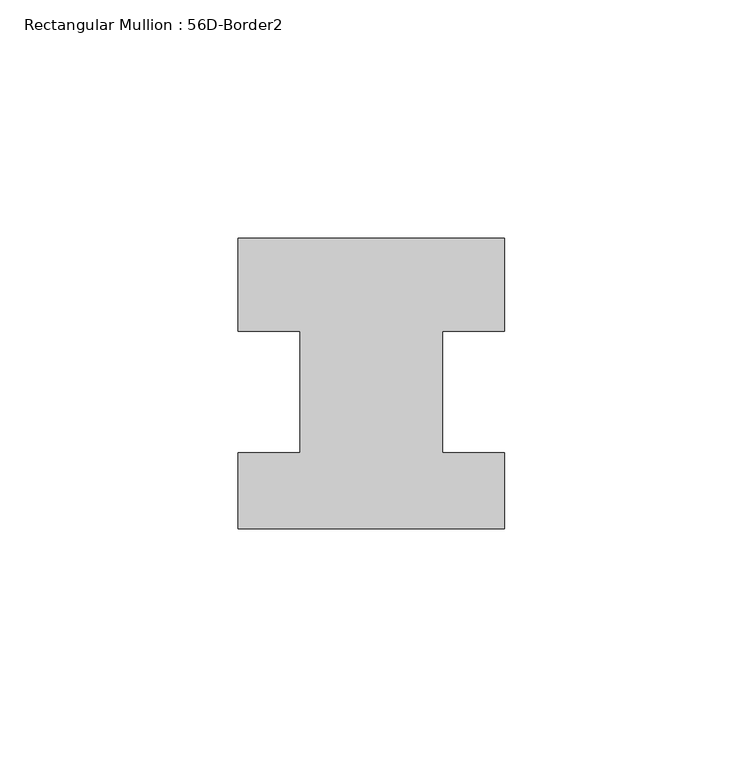
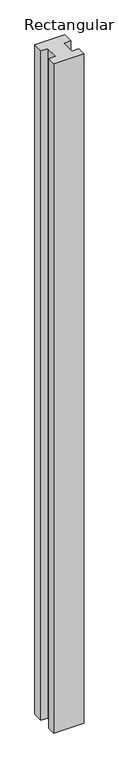
"""IFC4 building model written with IfcOpenShell, lengths in millimetres: member geometry, Rectangular Mullion : 56D-Border2."""

from ifc_helpers import new_model, si_unit, frame, origin, place, context, project, spatial, polyline, outline, extrude, source, transform, mapped, element, save


def rectangular_mullion_56d_border2_590ab9ac(model_context):
    return source(origin(), model_context, "Body", "SweptSolid", [
        extrude(outline(polyline([(0.0, 20.0), (0.0, 0.5), (-13.0, 0.5), (-13.0, -25.0), (0.0, -25.0), (0.0, -41.0), (-56.0, -41.0), (-56.0, -25.0), (-43.0, -25.0), (-43.0, 0.5), (-56.0, 0.5), (-56.0, 20.0), (0.0, 20.0)])), frame((0.0, 0.0, -1322.465707), z_axis=(0.0, 0.0, 1.0), x_axis=(1.0, 0.0, 0.0)), (0.0, 0.0, 1.0), 1322.465707),
    ])


if __name__ == "__main__":
    model = new_model("IFC4")
    model_context = context("Model", 3, world=origin())
    ifc_project = project(units=[si_unit("LENGTHUNIT", "METRE", prefix="MILLI")], contexts=[model_context])
    site = spatial("IfcSite", under=ifc_project)
    building = spatial("IfcBuilding", under=site)
    placement = place(None, origin())
    rectangular_mullion_56d_border2_shape = rectangular_mullion_56d_border2_590ab9ac(model_context)
    element("IfcMember", 1, ObjectType="Rectangular Mullion : 56D-Border2", at=placement, inside=building, context=model_context, shape_type="MappedRepresentation", body=[
        mapped(rectangular_mullion_56d_border2_shape, transform((0.0, 0.0, 0.0), x_axis=(1.0, 0.0, 0.0), y_axis=(0.0, 1.0, 0.0), z_axis=(0.0, 0.0, 1.0))),
    ])
    save(model, "model.ifc")
